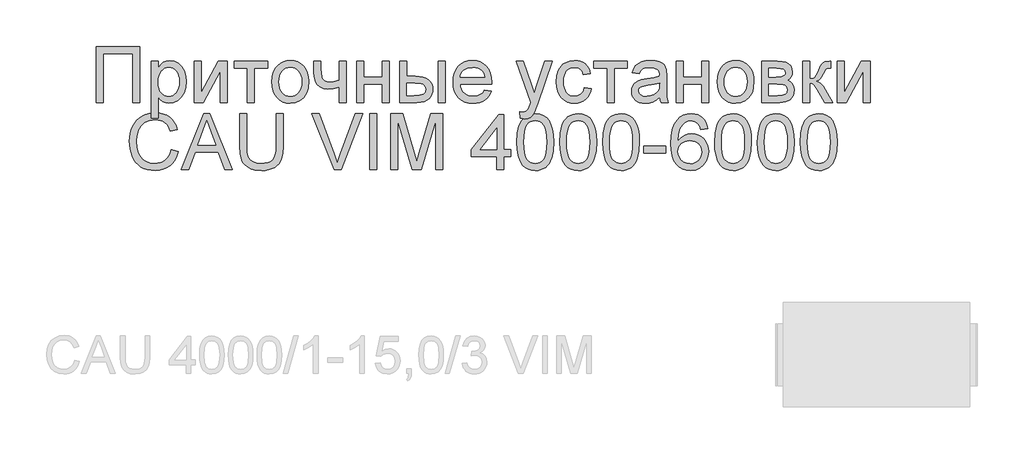
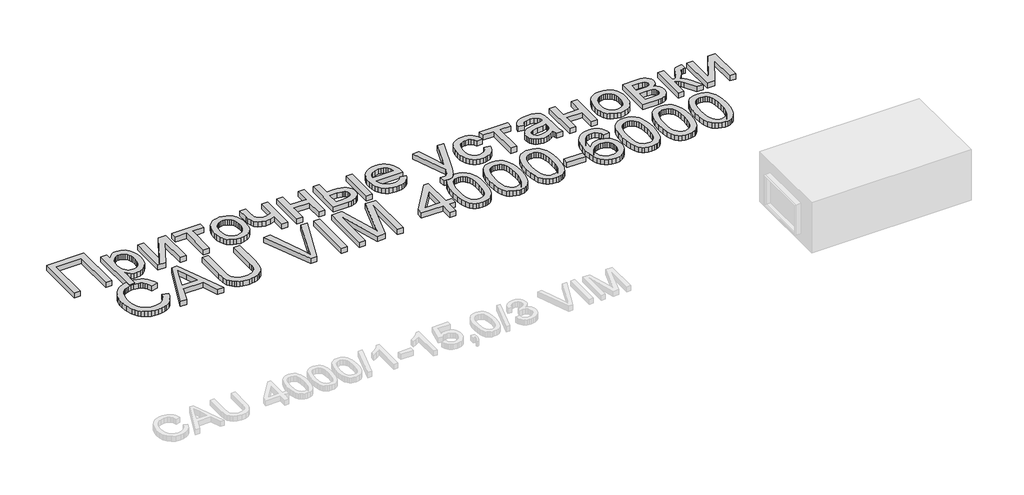
# One storey, part 69 of 74: 1 proxy.
"""IFC4 building model written with IfcOpenShell, lengths in millimetres."""

import ifcopenshell
import ifcopenshell.guid

model = None  # the IFC model being written
_history = None  # IfcOwnerHistory: only IFC2X3 demands one
_inside = {}  # id of a spatial element -> (the spatial element, [elements in it])
_under = {}  # id of a project, library or spatial element -> (it, [spatial elements below it])
_declared = {}  # id of a project -> (the project, [libraries it declares])
_typed = {}  # id of a type object -> (the type object, [elements of that type])
_made_of = {}  # id of a material, layer set ... -> (it, [elements and type objects made of it])


def new_model(schema):
    """Start an empty IFC model of exactly this schema.

    Asked for "IFC4X3", IfcOpenShell would pick the latest addendum, in which some entities
    have other attributes; the version numbers below select the first issue.
    IFC2X3 requires an IfcOwnerHistory on every rooted entity: one is made here for all.
    """
    global model, _history
    if schema == "IFC4X3":
        model = ifcopenshell.file(schema_version=(4, 3, 0, 0))
    else:
        model = ifcopenshell.file(schema=schema)
    _inside.clear()
    _under.clear()
    _declared.clear()
    _typed.clear()
    _made_of.clear()
    _history = None
    if model.schema == "IFC2X3":
        org = make("IfcOrganization", Name="unknown")
        user = make(
            "IfcPersonAndOrganization",
            ThePerson=make("IfcPerson", FamilyName="unknown"),
            TheOrganization=org,
        )
        app = make(
            "IfcApplication",
            ApplicationDeveloper=org,
            Version="unknown",
            ApplicationFullName="unknown",
            ApplicationIdentifier="unknown",
        )
        _history = make(
            "IfcOwnerHistory",
            OwningUser=user,
            OwningApplication=app,
            ChangeAction="ADDED",
            CreationDate=0,
        )
    return model


def make(cls, **values):
    """One entity of the class cls with the attributes given. An attribute that is None is left unset."""
    return model.create_entity(
        cls, **{name: value for name, value in values.items() if value is not None}
    )


def rooted(cls, **values):
    """An entity with a GlobalId (a new one), such as an element, a storey or a relation."""
    return make(cls, GlobalId=ifcopenshell.guid.new(), OwnerHistory=_history, **values)


def si_unit(unit_type, name, prefix=None):
    """IfcSIUnit, for example si_unit("LENGTHUNIT", "METRE", prefix="MILLI")."""
    return make("IfcSIUnit", UnitType=unit_type, Prefix=prefix, Name=name)


def assignment(units):
    """IfcUnitAssignment: the units of a project."""
    return None if units is None else make("IfcUnitAssignment", Units=units)


def point(xyz):
    """IfcCartesianPoint."""
    return None if xyz is None else make("IfcCartesianPoint", Coordinates=xyz)


def direction(xyz):
    """IfcDirection."""
    return None if xyz is None else make("IfcDirection", DirectionRatios=xyz)


def frame(location, z_axis=None, x_axis=None):
    """IfcAxis2Placement3D, a coordinate frame: its origin and axes. An axis left out is left unset."""
    return make(
        "IfcAxis2Placement3D",
        Location=point(location),
        Axis=direction(z_axis),
        RefDirection=direction(x_axis),
    )


def origin():
    """The frame at (0, 0, 0) with its axes left unset."""
    return frame((0.0, 0.0, 0.0))


def origin_with_axes():
    """The frame at (0, 0, 0) with the z axis (0, 0, 1) and the x axis (1, 0, 0) written out."""
    return frame((0.0, 0.0, 0.0), z_axis=(0.0, 0.0, 1.0), x_axis=(1.0, 0.0, 0.0))


def place(relative_to, where):
    """IfcLocalPlacement: puts the frame where relative to a parent placement (None: the world)."""
    return make(
        "IfcLocalPlacement", PlacementRelTo=relative_to, RelativePlacement=where
    )


def context(
    kind, dimensions, precision=None, world=None, true_north=None, identifier=None
):
    """IfcGeometricRepresentationContext, for example the 3D "Model" context."""
    return make(
        "IfcGeometricRepresentationContext",
        ContextIdentifier=identifier,
        ContextType=kind,
        CoordinateSpaceDimension=dimensions,
        Precision=precision,
        WorldCoordinateSystem=world,
        TrueNorth=true_north,
    )


def project(units=None, contexts=None):
    """IfcProject with its units and contexts."""
    return rooted(
        "IfcProject",
        Name="project",
        RepresentationContexts=contexts,
        UnitsInContext=assignment(units),
    )


def spatial(cls, under=None, at=None, **own):
    """A site, building, storey or space (cls), placed at a placement, below another one or the project."""
    s = rooted(cls, ObjectPlacement=at, **own)
    if under is not None:
        _under.setdefault(under.id(), (under, []))[1].append(s)
    return s


def polyline(points):
    """IfcPolyline through the points."""
    return make("IfcPolyline", Points=[point(p) for p in points])


def outline(outer, holes=None, kind="AREA"):
    """IfcArbitraryClosedProfileDef: a profile drawn as a closed curve; with holes, ...WithVoids."""
    if holes is None:
        return make("IfcArbitraryClosedProfileDef", ProfileType=kind, OuterCurve=outer)
    return make(
        "IfcArbitraryProfileDefWithVoids",
        ProfileType=kind,
        OuterCurve=outer,
        InnerCurves=holes,
    )


def extrude(swept, where, along, depth):
    """IfcExtrudedAreaSolid: the profile swept, set in the frame where, extruded along a direction by depth."""
    return make(
        "IfcExtrudedAreaSolid",
        SweptArea=swept,
        Position=where,
        ExtrudedDirection=direction(along),
        Depth=depth,
    )


def shape(context_of_items, identifier, shape_type, items):
    """IfcShapeRepresentation: the items that make up one representation, for example the "Body"."""
    return make(
        "IfcShapeRepresentation",
        ContextOfItems=context_of_items,
        RepresentationIdentifier=identifier,
        RepresentationType=shape_type,
        Items=items,
    )


def made_of(thing, what):
    """Note that an element or type object is made of a material, layer set ...; save() writes the relation."""
    if what is not None:
        _made_of.setdefault(what.id(), (what, []))[1].append(thing)
    return thing


def element(
    cls,
    number,
    at=None,
    inside=None,
    cuts=None,
    type_object=None,
    material=None,
    context=None,
    identifier="Body",
    shape_type=None,
    held_by="IfcProductDefinitionShape",
    body=None,
    shapes=None,
    **own,
):
    """One element of the class cls, such as IfcWall. Its Tag is "e" and its number.

    at: its placement. inside: the storey or other place that contains it. cuts: it is an
    opening in that element (IfcRelVoidsElement). A single representation is given by context,
    identifier, shape_type and body (its items); several are given by shapes. held_by: the class
    of the entity that holds the representations. save() writes the other relations.
    """
    e = rooted(cls, Tag="e%d" % number, ObjectPlacement=at, **own)
    if body is not None:
        shapes = [shape(context, identifier, shape_type, body)]
    if shapes is not None:
        e.Representation = make(held_by, Representations=shapes)
    if inside is not None:
        _inside.setdefault(inside.id(), (inside, []))[1].append(e)
    if cuts is not None:
        rooted(
            "IfcRelVoidsElement", RelatingBuildingElement=cuts, RelatedOpeningElement=e
        )
    if type_object is not None:
        _typed.setdefault(type_object.id(), (type_object, []))[1].append(e)
    return made_of(e, material)


def aggregate(whole, parts):
    """IfcRelAggregates: a whole, such as a stair, and the parts it consists of."""
    return rooted("IfcRelAggregates", RelatingObject=whole, RelatedObjects=parts)


def save(model, path):
    """Write the relations noted so far, then the file.

    IfcRelAggregates (storeys below a building ...), IfcRelContainedInSpatialStructure (elements
    in a storey), IfcRelDefinesByType, IfcRelAssociatesMaterial and IfcRelDeclares: one each for
    every whole, place, type object, material and project.
    """
    for whole, parts in _under.values():
        aggregate(whole, parts)
    for where, things in _inside.values():
        rooted(
            "IfcRelContainedInSpatialStructure",
            RelatedElements=things,
            RelatingStructure=where,
        )
    for kind, things in _typed.values():
        rooted("IfcRelDefinesByType", RelatedObjects=things, RelatingType=kind)
    for what, things in _made_of.values():
        rooted("IfcRelAssociatesMaterial", RelatedObjects=things, RelatingMaterial=what)
    for by, libraries in _declared.values():
        rooted("IfcRelDeclares", RelatingContext=by, RelatedDefinitions=libraries)
    model.write(path)


model = new_model("IFC4")

# Units and contexts
model_context = context("Model", 3, world=origin())
ifc_project = project(units=[si_unit("LENGTHUNIT", "METRE", prefix="MILLI")], contexts=[model_context])

# Site, building, storey
site = spatial("IfcSite", under=ifc_project)
building = spatial("IfcBuilding", under=site)
storey = spatial("IfcBuildingStorey", under=building, Elevation=0.0)

# Proxy
placement = place(None, origin())
element("IfcBuildingElementProxy", 1, Name="Generic Models", at=placement, inside=storey, context=model_context, shape_type="SweptSolid", body=[
    extrude(outline(polyline([(44711.9197938, -1277.4716513), (45063.2136554, -1277.4716513), (45063.2136554, -1727.1277941), (45007.0066376, -1727.1277941), (45007.0066376, -1333.6786691), (44768.1268117, -1333.6786691), (44768.1268117, -1727.1277941), (44711.9197938, -1727.1277941), (44711.9197938, -1277.4716513)])), origin_with_axes(), (0.0, 0.0, 1.0), 50.0),
    extrude(outline(polyline([(45154.5500594, -1853.5935843), (45154.5500594, -1396.9115642), (45210.7570773, -1396.9115642), (45210.7570773, -1452.0207887), (45229.0902257, -1424.8366817), (45249.6189607, -1405.4194624), (45273.550855, -1393.7691308), (45302.0934813, -1389.885687), (45340.1045749, -1395.3197639), (45373.3402676, -1411.6219947), (45400.4008729, -1437.8043653), (45419.8867043, -1472.8788618), (45431.6605376, -1514.2931147), (45435.5851487, -1559.4947545), (45431.1528082, -1607.5643794), (45417.8557866, -1650.5567102), (45396.1194789, -1686.2898827), (45366.36928, -1712.5820326), (45331.7201784, -1728.7607616), (45295.2871627, -1734.1536713), (45269.4478525, -1730.5446758), (45246.3804704, -1719.7176892), (45226.6339131, -1703.3742912), (45210.7570773, -1683.2160614), (45210.7570773, -1853.5935843), (45154.5500594, -1853.5935843)]), holes=[polyline([(45210.7570773, -1564.6543831), (45212.2768349, -1591.7424332), (45216.8361078, -1615.0430964), (45224.4348959, -1634.5563726), (45235.0731993, -1650.2822619), (45247.8796444, -1662.3854332), (45261.982858, -1671.0305556), (45277.3828398, -1676.217629), (45294.0795901, -1677.9466535), (45311.0164826, -1676.1558781), (45326.697774, -1670.7835521), (45341.1234643, -1661.8296753), (45354.2935535, -1649.2942479), (45365.2680561, -1632.9988783), (45373.1069865, -1612.7651752), (45377.8103448, -1588.5931386), (45379.3781308, -1560.4827685), (45377.8480814, -1533.6279995), (45373.2579331, -1510.3685036), (45365.6076859, -1490.7042808), (45354.8973399, -1474.6353311), (45342.0600193, -1462.1479321), (45328.0288484, -1453.2283614), (45312.8038273, -1447.876619), (45296.384956, -1446.0927048), (45280.0175438, -1447.9898289), (45264.6175619, -1453.6812011), (45250.1850104, -1463.1668215), (45236.7198892, -1476.4466901), (45225.361159, -1493.3424153), (45217.2477803, -1513.6756059), (45212.379753, -1537.4462619), (45210.7570773, -1564.6543831)])]), origin_with_axes(), (0.0, 0.0, 1.0), 50.0),
    extrude(outline(polyline([(45498.8180438, -1396.9115642), (45555.0250616, -1396.9115642), (45555.0250616, -1648.7453512), (45693.127461, -1396.9115642), (45765.8013786, -1396.9115642), (45765.8013786, -1727.1277941), (45709.5943607, -1727.1277941), (45709.5943607, -1476.8309177), (45572.370196, -1727.1277941), (45498.8180438, -1727.1277941), (45498.8180438, -1396.9115642)])), origin_with_axes(), (0.0, 0.0, 1.0), 50.0),
    extrude(outline(polyline([(45822.0083964, -1396.9115642), (46088.9917312, -1396.9115642), (46088.9917312, -1453.1185821), (45983.6035727, -1453.1185821), (45983.6035727, -1727.1277941), (45927.3965549, -1727.1277941), (45927.3965549, -1453.1185821), (45822.0083964, -1453.1185821), (45822.0083964, -1396.9115642)])), origin_with_axes(), (0.0, 0.0, 1.0), 50.0),
    extrude(outline(polyline([(46124.1211174, -1562.0196791), (46127.1606326, -1519.2537682), (46136.2791784, -1482.4022188), (46151.4767546, -1451.4650309), (46172.7533613, -1426.4422044), (46194.1740534, -1410.4487281), (46217.817777, -1399.0248163), (46243.6845321, -1392.1704693), (46271.7743186, -1389.885687), (46302.7835492, -1392.6679069), (46330.8218766, -1401.0145667), (46355.8893009, -1414.9256664), (46377.985822, -1434.401206), (46396.0205079, -1458.7825095), (46408.9024263, -1487.4109008), (46416.6315774, -1520.2863801), (46419.2079611, -1557.4089472), (46414.6521188, -1614.1923066), (46408.957316, -1637.4998309), (46400.984592, -1657.4179184), (46378.6033308, -1689.7890989), (46347.9062851, -1714.0091639), (46311.4458246, -1729.1175445), (46271.7743186, -1734.1536713), (46240.3122482, -1731.3817432), (46212.0131949, -1723.0659588), (46186.8771585, -1709.2063182), (46164.9041391, -1689.8028213), (46147.0615671, -1665.1848062), (46134.3168728, -1635.6816107), (46126.6700562, -1601.2932351), (46124.1211174, -1562.0196791)]), holes=[polyline([(46180.3281352, -1561.9098998), (46181.9542416, -1589.1729107), (46186.8325606, -1612.7788977), (46194.9630924, -1632.7278606), (46206.3458369, -1649.0197996), (46220.1917551, -1661.6752981), (46235.7118081, -1670.71494), (46252.9059959, -1676.1387251), (46271.7743186, -1677.9466535), (46290.5465843, -1676.1284333), (46307.6721601, -1670.6737727), (46323.1510458, -1661.5826718), (46336.9832416, -1648.8551306), (46348.3659861, -1632.4019532), (46356.4965178, -1612.1339441), (46361.3748369, -1588.0511032), (46363.0009433, -1560.1534305), (46361.3645451, -1533.7549318), (46356.4553506, -1510.7664536), (46348.2733598, -1491.1879959), (46336.8185726, -1475.0195587), (46322.9349178, -1462.3640602), (46307.4663238, -1453.3244183), (46290.4127907, -1447.9006332), (46271.7743186, -1446.0927048), (46252.9059959, -1447.893772), (46235.7118081, -1453.2969735), (46220.1917551, -1462.3023093), (46206.3458369, -1474.9097794), (46194.9630924, -1491.1536899), (46186.8325606, -1511.0683468), (46181.9542416, -1534.6537501), (46180.3281352, -1561.9098998)])]), origin_with_axes(), (0.0, 0.0, 1.0), 50.0),
    extrude(outline(polyline([(46461.3632245, -1396.9115642), (46517.5702423, -1396.9115642), (46517.5702423, -1460.2542386), (46522.1260846, -1519.6448571), (46529.8792499, -1536.907657), (46544.0270613, -1551.8102013), (46563.5677823, -1562.1020136), (46587.4996767, -1565.5326178), (46621.8880523, -1561.2786687), (46665.1136642, -1548.5168213), (46665.1136642, -1396.9115642), (46721.3206821, -1396.9115642), (46721.3206821, -1727.1277941), (46665.1136642, -1727.1277941), (46665.1136642, -1602.4184732), (46617.1400962, -1616.909345), (46572.4599082, -1621.7396356), (46538.4694826, -1616.7035088), (46508.7330061, -1601.5951282), (46485.5558447, -1579.1864221), (46471.2433643, -1552.2493186), (46463.8332595, -1521.5934402), (46461.3632245, -1488.0284096), (46461.3632245, -1396.9115642)])), origin_with_axes(), (0.0, 0.0, 1.0), 50.0),
    extrude(outline(polyline([(46805.6312088, -1396.9115642), (46861.8382267, -1396.9115642), (46861.8382267, -1523.3773544), (47009.3816486, -1523.3773544), (47009.3816486, -1396.9115642), (47065.5886664, -1396.9115642), (47065.5886664, -1727.1277941), (47009.3816486, -1727.1277941), (47009.3816486, -1579.5843722), (46861.8382267, -1579.5843722), (46861.8382267, -1727.1277941), (46805.6312088, -1727.1277941), (46805.6312088, -1396.9115642)])), origin_with_axes(), (0.0, 0.0, 1.0), 50.0),
    extrude(outline(polyline([(47149.8991932, -1396.9115642), (47206.106211, -1396.9115642), (47206.106211, -1516.3514771), (47275.596528, -1516.3514771), (47307.573189, -1518.1113771), (47335.6595449, -1523.3910768), (47359.8555957, -1532.1905763), (47380.1613415, -1544.5098757), (47396.2268606, -1559.92358), (47407.7022314, -1578.0062943), (47414.5874538, -1598.7580186), (47416.882528, -1622.1787529), (47414.9579591, -1643.0745626), (47409.1842523, -1662.3991556), (47399.5614078, -1680.1525319), (47386.0894254, -1696.3346915), (47368.3909388, -1709.8066739), (47346.0885814, -1719.4295184), (47319.1823533, -1725.2032252), (47287.6722545, -1727.1277941), (47149.8991932, -1727.1277941), (47149.8991932, -1396.9115642)]), holes=[polyline([(47206.106211, -1670.9207762), (47263.8501395, -1670.9207762), (47308.612662, -1667.9704567), (47338.3903058, -1659.1194981), (47355.104209, -1644.0111175), (47360.6755101, -1622.2885323), (47356.5450628, -1603.927939), (47344.1537207, -1587.7080428), (47333.3987768, -1581.0801156), (47317.6557345, -1576.3458819), (47271.2053548, -1572.558495), (47206.106211, -1572.558495), (47206.106211, -1670.9207762)])]), origin_with_axes(), (0.0, 0.0, 1.0), 50.0),
    extrude(outline(polyline([(47459.0377914, -1396.9115642), (47515.2448092, -1396.9115642), (47515.2448092, -1727.1277941), (47459.0377914, -1727.1277941), (47459.0377914, -1396.9115642)])), origin_with_axes(), (0.0, 0.0, 1.0), 50.0),
    extrude(outline(polyline([(47830.7506086, -1628.7655128), (47885.8598332, -1635.7913901), (47877.4102552, -1657.863897), (47866.0034966, -1677.3154223), (47851.6395571, -1694.1459661), (47834.3184369, -1708.3555284), (47814.2185274, -1719.6422159), (47791.51822, -1727.7041356), (47766.2175146, -1732.5412874), (47738.3164113, -1734.1536713), (47703.4408899, -1731.3714514), (47672.3664778, -1723.0247916), (47645.093175, -1709.1136919), (47621.6209817, -1689.6381523), (47602.7457978, -1665.1402083), (47589.2635236, -1636.1618953), (47581.1741591, -1602.7032134), (47578.4777043, -1564.7641624), (47581.201604, -1525.538635), (47589.373303, -1490.9650067), (47602.9928013, -1461.0432776), (47622.060099, -1435.7734476), (47645.4705415, -1415.6975524), (47672.1194743, -1401.3576271), (47702.0068973, -1392.753672), (47735.1328107, -1389.885687), (47767.1918062, -1392.7468108), (47796.1838416, -1401.3301823), (47822.1089169, -1415.6358015), (47844.9670321, -1435.6636683), (47863.6260879, -1460.8786086), (47876.9539849, -1490.745448), (47884.9507231, -1525.2641866), (47887.6163025, -1564.4348244), (47887.2869645, -1579.5843722), (47634.6847222, -1579.5843722), (47637.9403655, -1602.0136619), (47644.4139154, -1621.6573011), (47654.1053721, -1638.5152897), (47667.0147354, -1652.5876278), (47682.4284397, -1663.6822015), (47699.6329193, -1671.6068971), (47718.6281743, -1676.3617144), (47739.4142046, -1677.9466535), (47769.3290725, -1675.0100563), (47794.5234292, -1666.200265), (47814.9972745, -1650.9683827), (47830.7506086, -1628.7655128)]), holes=[polyline([(47634.6847222, -1523.3773544), (47831.4092846, -1523.3773544), (47823.8070659, -1493.6820451), (47808.9045216, -1472.4397444), (47793.5765824, -1460.9129146), (47776.1353911, -1452.6794647), (47756.5809476, -1447.7393948), (47734.913252, -1446.0927048), (47697.0256602, -1451.3483903), (47665.6973834, -1467.1154469), (47653.2408598, -1478.5153443), (47643.9199084, -1491.6922947), (47637.7345292, -1506.6462981), (47634.6847222, -1523.3773544)])]), origin_with_axes(), (0.0, 0.0, 1.0), 50.0),
    extrude(outline(polyline([(48119.4702511, -1853.5935843), (48112.4443739, -1799.4723737), (48140.9870002, -1804.4124436), (48155.9993238, -1802.8618106), (48167.6633778, -1798.2099114), (48184.0204982, -1780.9196666), (48199.3896046, -1739.5328586), (48203.7807779, -1725.9202214), (48084.340865, -1396.9115642), (48143.6217041, -1396.9115642), (48206.9643785, -1580.2430482), (48229.0300242, -1653.5756418), (48251.0956699, -1588.8058361), (48316.1948136, -1396.9115642), (48375.0365354, -1396.9115642), (48260.0975751, -1735.031906), (48230.2375969, -1808.3644996), (48214.9508249, -1831.7749421), (48197.6331353, -1847.9948383), (48177.5160728, -1857.4633057), (48153.831182, -1860.6194615), (48119.4702511, -1853.5935843)])), origin_with_axes(), (0.0, 0.0, 1.0), 50.0),
    extrude(outline(polyline([(48632.359289, -1607.6878812), (48688.5663069, -1614.7137584), (48682.4529703, -1641.2357588), (48672.8953073, -1664.7045216), (48659.8933177, -1685.1200467), (48643.4470015, -1702.4823341), (48624.2493409, -1716.3385441), (48602.9933178, -1726.235837), (48579.6789322, -1732.1742127), (48554.3061842, -1734.1536713), (48522.7823629, -1731.392035), (48494.5176156, -1723.1071261), (48469.5119422, -1709.2989445), (48447.7653427, -1689.9674903), (48430.162913, -1665.4764075), (48417.5897489, -1636.1893402), (48410.0458504, -1602.1062883), (48407.5312176, -1563.2272518), (48411.826334, -1513.2090438), (48424.711683, -1469.8599301), (48434.4271539, -1451.1048174), (48446.3931011, -1434.8540457), (48460.6095245, -1421.107615), (48477.0764243, -1409.8655254), (48513.7838883, -1394.8806466), (48553.5377288, -1389.885687), (48578.4747902, -1391.600989), (48601.0310122, -1396.7468952), (48621.206395, -1405.3234055), (48639.0009386, -1417.3305199), (48654.1127497, -1432.4937901), (48666.2399353, -1450.5387678), (48675.3824953, -1471.4654529), (48681.5404297, -1495.2738454), (48625.3334118, -1502.2997227), (48615.1376564, -1477.7777645), (48599.2608205, -1460.199349), (48578.5811389, -1449.6193659), (48553.9768462, -1446.0927048), (48534.878673, -1447.8285905), (48517.6536098, -1453.0362476), (48502.3016564, -1461.715676), (48488.8228128, -1473.8668758), (48477.8483102, -1489.7711564), (48470.0093798, -1509.7098276), (48465.3060216, -1533.6828891), (48463.7382355, -1561.6903412), (48465.2717155, -1590.1197575), (48469.8721556, -1614.370698), (48477.5395558, -1634.4431627), (48488.2739161, -1650.3371515), (48501.4851726, -1662.4163086), (48516.5832613, -1671.044278), (48533.5681823, -1676.2210596), (48552.4399355, -1677.9466535), (48581.5451809, -1673.6378147), (48605.4084631, -1660.7112984), (48622.7673199, -1638.8377665), (48632.359289, -1607.6878812)])), origin_with_axes(), (0.0, 0.0, 1.0), 50.0),
    extrude(outline(polyline([(48709.6439386, -1396.9115642), (48976.6272734, -1396.9115642), (48976.6272734, -1453.1185821), (48871.2391149, -1453.1185821), (48871.2391149, -1727.1277941), (48815.0320971, -1727.1277941), (48815.0320971, -1453.1185821), (48709.6439386, -1453.1185821), (48709.6439386, -1396.9115642)])), origin_with_axes(), (0.0, 0.0, 1.0), 50.0),
    extrude(outline(polyline([(49236.5847309, -1684.9725307), (49209.7299619, -1707.9987455), (49182.0792927, -1723.0659588), (49153.0014922, -1731.3817432), (49121.8653293, -1734.1536713), (49096.8390722, -1732.4863977), (49074.8934977, -1727.4845769), (49056.0286057, -1719.1482089), (49040.2443961, -1707.4772937), (49027.7810114, -1693.2128418), (49018.8785937, -1677.0958636), (49013.5371431, -1659.1263593), (49011.7566595, -1639.3043287), (49014.4462532, -1616.0036655), (49022.515034, -1594.8436993), (49034.9612658, -1576.7301096), (49050.783212, -1562.5685758), (49069.3770863, -1551.865091), (49090.1391024, -1544.1256481), (49138.7713464, -1535.6726395), (49196.2408265, -1526.7805137), (49236.2553929, -1516.3514771), (49236.5847309, -1503.8366333), (49232.7150095, -1478.752056), (49221.1058452, -1462.3400459), (49195.1430332, -1450.1545401), (49158.9707434, -1446.0927048), (49125.4880472, -1448.7960209), (49102.1050496, -1456.905969), (49086.1596016, -1471.9045702), (49074.9895546, -1495.2738454), (49018.7825368, -1488.2479682), (49028.5391749, -1457.5097553), (49043.0986587, -1433.3583023), (49063.8195076, -1414.8879298), (49092.0602407, -1401.1929581), (49126.599563, -1392.7125048), (49166.2161793, -1389.885687), (49204.2135505, -1392.3831668), (49234.3342546, -1399.8756062), (49257.0448539, -1411.1417101), (49272.8119104, -1424.9601835), (49283.2683918, -1442.044592), (49290.0472655, -1463.1085012), (49292.7917488, -1512.2896419), (49292.7917488, -1582.2190762), (49295.6460114, -1679.8677918), (49306.8435033, -1727.1277941), (49250.6364854, -1727.1277941), (49241.6345802, -1707.587073), (49236.5847309, -1684.9725307)]), holes=[polyline([(49236.5847309, -1572.558495), (49198.8206408, -1581.917183), (49145.9070029, -1589.7938501), (49097.5492073, -1598.9055346), (49084.9657514, -1605.1355117), (49075.6482306, -1613.7257444), (49069.8848157, -1624.0175567), (49067.9636774, -1635.3522728), (49072.1490144, -1652.066176), (49084.7050255, -1665.7611476), (49105.3572623, -1674.900277), (49133.8312764, -1677.9466535), (49164.0205927, -1674.5846614), (49190.6969703, -1664.4986853), (49212.3234986, -1649.6373083), (49227.3632671, -1631.9491135), (49234.0323615, -1613.7257444), (49236.2553929, -1588.4764981), (49236.5847309, -1572.558495)])]), origin_with_axes(), (0.0, 0.0, 1.0), 50.0),
    extrude(outline(polyline([(49370.0763983, -1396.9115642), (49426.2834162, -1396.9115642), (49426.2834162, -1523.3773544), (49573.8268381, -1523.3773544), (49573.8268381, -1396.9115642), (49630.0338559, -1396.9115642), (49630.0338559, -1727.1277941), (49573.8268381, -1727.1277941), (49573.8268381, -1579.5843722), (49426.2834162, -1579.5843722), (49426.2834162, -1727.1277941), (49370.0763983, -1727.1277941), (49370.0763983, -1396.9115642)])), origin_with_axes(), (0.0, 0.0, 1.0), 50.0),
    extrude(outline(polyline([(49700.2926282, -1562.0196791), (49703.3321435, -1519.2537682), (49712.4506892, -1482.4022188), (49727.6482655, -1451.4650309), (49748.9248722, -1426.4422044), (49770.3455643, -1410.4487281), (49793.9892879, -1399.0248163), (49819.8560429, -1392.1704693), (49847.9458294, -1389.885687), (49878.95506, -1392.6679069), (49906.9933875, -1401.0145667), (49932.0608118, -1414.9256664), (49954.1573329, -1434.401206), (49972.1920187, -1458.7825095), (49985.0739372, -1487.4109008), (49992.8030883, -1520.2863801), (49995.3794719, -1557.4089472), (49990.8236297, -1614.1923066), (49985.1288268, -1637.4998309), (49977.1561029, -1657.4179184), (49954.7748416, -1689.7890989), (49924.077796, -1714.0091639), (49887.6173354, -1729.1175445), (49847.9458294, -1734.1536713), (49816.4837591, -1731.3817432), (49788.1847057, -1723.0659588), (49763.0486693, -1709.2063182), (49741.07565, -1689.8028213), (49723.233078, -1665.1848062), (49710.4883837, -1635.6816107), (49702.8415671, -1601.2932351), (49700.2926282, -1562.0196791)]), holes=[polyline([(49756.4996461, -1561.9098998), (49758.1257524, -1589.1729107), (49763.0040715, -1612.7788977), (49771.1346032, -1632.7278606), (49782.5173477, -1649.0197996), (49796.3632659, -1661.6752981), (49811.8833189, -1670.71494), (49829.0775068, -1676.1387251), (49847.9458294, -1677.9466535), (49866.7180951, -1676.1284333), (49883.8436709, -1670.6737727), (49899.3225567, -1661.5826718), (49913.1547525, -1648.8551306), (49924.5374969, -1632.4019532), (49932.6680287, -1612.1339441), (49937.5463477, -1588.0511032), (49939.1724541, -1560.1534305), (49937.5360559, -1533.7549318), (49932.6268614, -1510.7664536), (49924.4448706, -1491.1879959), (49912.9900835, -1475.0195587), (49899.1064286, -1462.3640602), (49883.6378346, -1453.3244183), (49866.5843016, -1447.9006332), (49847.9458294, -1446.0927048), (49829.0775068, -1447.893772), (49811.8833189, -1453.2969735), (49796.3632659, -1462.3023093), (49782.5173477, -1474.9097794), (49771.1346032, -1491.1536899), (49763.0040715, -1511.0683468), (49758.1257524, -1534.6537501), (49756.4996461, -1561.9098998)])]), origin_with_axes(), (0.0, 0.0, 1.0), 50.0),
    extrude(outline(polyline([(50058.612367, -1396.9115642), (50182.4434532, -1396.9115642), (50222.2521834, -1398.7915353), (50250.3419699, -1404.4314484), (50271.0079291, -1415.0800436), (50288.5451774, -1431.9860607), (50300.5248469, -1454.0105391), (50304.5180701, -1480.0145183), (50302.1029248, -1500.9686483), (50294.8574889, -1519.0410708), (50282.7543176, -1534.3141203), (50265.765966, -1546.8701314), (50286.5691494, -1558.5479078), (50303.5300561, -1577.3338959), (50314.8098825, -1601.7460748), (50318.5698246, -1630.3024235), (50315.4479749, -1653.3080547), (50309.0464676, -1673.1438077), (50299.3653028, -1689.8096825), (50286.4044804, -1703.3056791), (50270.1434169, -1713.7278544), (50250.5615286, -1721.1722653), (50227.6588155, -1725.6389119), (50201.4352776, -1727.1277941), (50058.612367, -1727.1277941), (50058.612367, -1396.9115642)]), holes=[polyline([(50114.8193849, -1523.3773544), (50170.3677267, -1523.3773544), (50216.2005977, -1520.5230917), (50238.4858021, -1509.1060412), (50245.8547397, -1499.6650187), (50248.3110523, -1488.4675269), (50244.0022135, -1471.698734), (50231.0756972, -1460.9129146), (50207.7201444, -1455.0671652), (50172.1241961, -1453.1185821), (50114.8193849, -1453.1185821), (50114.8193849, -1523.3773544)]), polyline([(50114.8193849, -1670.9207762), (50183.7608052, -1670.9207762), (50221.3327815, -1668.3821292), (50244.907893, -1660.766188), (50257.559961, -1646.9202698), (50262.3628067, -1625.6916916), (50259.9613839, -1611.6262147), (50252.7571152, -1598.6310863), (50241.6968475, -1588.4627757), (50227.7274276, -1582.8777522), (50178.2718386, -1579.5843722), (50114.8193849, -1579.5843722), (50114.8193849, -1670.9207762)])]), origin_with_axes(), (0.0, 0.0, 1.0), 50.0),
    extrude(outline(polyline([(50388.8285969, -1396.9115642), (50445.0356148, -1396.9115642), (50445.0356148, -1537.4291088), (50467.8971606, -1534.9041842), (50482.6899256, -1527.3294103), (50495.7811109, -1507.5691306), (50513.5379178, -1468.4876885), (50527.8503981, -1436.5281805), (50539.1713917, -1417.7147476), (50549.7376524, -1407.4641025), (50561.7859341, -1401.1929581), (50602.8982938, -1396.9115642), (50613.6566683, -1396.9115642), (50613.6566683, -1453.4479201), (50598.5071205, -1453.1185821), (50580.9424275, -1454.600603), (50571.0622876, -1459.046666), (50551.7411252, -1496.0423008), (50539.871235, -1520.7014832), (50529.0716932, -1536.0568672), (50515.9942303, -1546.3075123), (50497.2905767, -1555.6524779), (50515.1022732, -1563.563451), (50532.7493008, -1577.5260098), (50550.2316594, -1597.5401542), (50567.549349, -1623.6058843), (50627.7084228, -1727.1277941), (50563.8168517, -1727.1277941), (50504.8653506, -1625.8014709), (50488.9473475, -1598.8369225), (50475.224931, -1582.9326418), (50461.3652904, -1575.1520317), (50445.0356148, -1572.558495), (50445.0356148, -1727.1277941), (50388.8285969, -1727.1277941), (50388.8285969, -1396.9115642)])), origin_with_axes(), (0.0, 0.0, 1.0), 50.0),
    extrude(outline(polyline([(50662.8378089, -1396.9115642), (50719.0448268, -1396.9115642), (50719.0448268, -1648.7453512), (50857.1472261, -1396.9115642), (50929.8211437, -1396.9115642), (50929.8211437, -1727.1277941), (50873.6141259, -1727.1277941), (50873.6141259, -1476.8309177), (50736.3899612, -1727.1277941), (50662.8378089, -1727.1277941), (50662.8378089, -1396.9115642)])), origin_with_axes(), (0.0, 0.0, 1.0), 50.0),
    extrude(outline(polyline([(45316.1452358, -2107.7211702), (45372.3522536, -2122.212042), (45361.2302351, -2157.1664674), (45346.4168865, -2187.7091358), (45327.9122079, -2213.8400474), (45305.7161992, -2235.5592021), (45280.3297288, -2252.6333188), (45252.2536647, -2264.8291164), (45221.488007, -2272.146595), (45188.0327556, -2274.5857545), (45153.7575899, -2272.7400895), (45122.837555, -2267.2030944), (45095.2726509, -2257.9747694), (45071.0628776, -2245.0551143), (45049.8754666, -2228.636243), (45031.3776492, -2208.9102693), (45015.5694254, -2185.8771932), (45002.4507953, -2159.5370148), (44984.7900453, -2101.4911932), (44978.9031286, -2039.3286466), (44980.5669716, -2005.4274167), (44985.5585006, -1973.7629407), (44993.8777156, -1944.3352186), (45005.5246166, -1917.1442503), (45020.2384776, -1892.6394451), (45037.7585729, -1871.2702121), (45058.0849023, -1853.0365512), (45081.2174658, -1837.9384625), (45106.3706552, -1826.0994477), (45132.7588621, -1817.6430085), (45160.3820864, -1812.569145), (45189.2403283, -1810.8778572), (45221.3885194, -1813.0665826), (45250.8677006, -1819.6327589), (45277.6778718, -1830.5763861), (45301.819033, -1845.897464), (45322.8932341, -1865.1911816), (45340.502525, -1888.0527274), (45354.6469058, -1914.4821015), (45365.3263764, -1944.4793039), (45309.1193585, -1957.8723824), (45289.6335271, -1916.8835244), (45277.2147402, -1901.2159554), (45263.0120392, -1888.7662931), (45246.9430895, -1879.2806727), (45228.9255567, -1872.5052296), (45187.0447416, -1867.0848751), (45161.8298014, -1868.5874797), (45138.7692805, -1873.0952935), (45117.863179, -1880.6083165), (45099.1114969, -1891.1265487), (45082.7509459, -1904.1765668), (45069.0182376, -1919.2849473), (45057.9133721, -1936.4516903), (45049.4363493, -1955.6767958), (45038.6916972, -1996.8166004), (45035.1101465, -2039.2188672), (45039.3503732, -2091.1444912), (45052.0710532, -2136.0442378), (45061.7316344, -2155.4305817), (45073.7524713, -2172.2028052), (45088.1335637, -2186.3609084), (45104.8749118, -2197.9048913), (45142.1861622, -2213.2602753), (45182.4340097, -2218.3787366), (45206.8702028, -2216.6359898), (45229.3509516, -2211.4077491), (45249.876256, -2202.6940146), (45268.4461161, -2190.4947864), (45284.6214145, -2174.864954), (45297.9630339, -2155.8594072), (45308.4709743, -2133.478146), (45316.1452358, -2107.7211702)])), origin_with_axes(), (0.0, 0.0, 1.0), 50.0),
    extrude(outline(polyline([(45397.2721619, -2267.5598773), (45576.7613693, -1817.9037344), (45624.625158, -1817.9037344), (45804.1143653, -2267.5598773), (45744.7237469, -2267.5598773), (45693.2372403, -2127.0423326), (45508.0395076, -2127.0423326), (45456.6627804, -2267.5598773), (45397.2721619, -2267.5598773)]), holes=[polyline([(45528.678022, -2070.8353148), (45672.7085053, -2070.8353148), (45632.1999318, -1960.2875277), (45600.6932636, -1874.1107523), (45572.699534, -1950.6269465), (45528.678022, -2070.8353148)])]), origin_with_axes(), (0.0, 0.0, 1.0), 50.0),
    extrude(outline(polyline([(46159.2505035, -1817.9037344), (46215.4575214, -1817.9037344), (46215.4575214, -2077.3122954), (46211.6426896, -2138.0614331), (46200.1981943, -2184.8411508), (46191.0384813, -2203.8123916), (46178.8186694, -2220.9311061), (46163.5387587, -2236.1972944), (46145.1987491, -2249.6109565), (46123.778057, -2260.5374306), (46099.2560987, -2268.342055), (46071.6328744, -2273.0248296), (46040.9083839, -2274.5857545), (45983.8368538, -2269.1516776), (45959.5927745, -2262.3590814), (45938.2098191, -2252.8494468), (45919.6845568, -2240.7634285), (45904.0135572, -2226.2416813), (45891.1968203, -2209.2842051), (45881.2343459, -2189.8910001), (45868.4313313, -2141.1352543), (45864.1636598, -2077.3122954), (45864.1636598, -1817.9037344), (45920.3706777, -1817.9037344), (45920.3706777, -2075.3362674), (45923.1426058, -2125.8484824), (45931.4583902, -2161.0190358), (45946.5256035, -2185.376325), (45969.5518183, -2203.4487475), (45999.5764655, -2214.6462394), (46035.638976, -2218.3787366), (46066.6173312, -2216.5330716), (46092.806563, -2210.9960766), (46114.2066715, -2201.7677515), (46130.8176566, -2188.8480964), (46143.2570271, -2170.679617), (46152.1422918, -2145.704819), (46157.4734506, -2113.9237025), (46159.2505035, -2075.3362674), (46159.2505035, -1817.9037344)])), origin_with_axes(), (0.0, 0.0, 1.0), 50.0),
    extrude(outline(polyline([(46622.2997248, -2267.5598773), (46443.3594141, -1817.9037344), (46503.5184879, -1817.9037344), (46623.2877388, -2141.8625424), (46647.5489711, -2214.865798), (46671.4808654, -2141.8625424), (46791.5794544, -1817.9037344), (46851.7385282, -1817.9037344), (46680.3729913, -2267.5598773), (46622.2997248, -2267.5598773)])), origin_with_axes(), (0.0, 0.0, 1.0), 50.0),
    extrude(outline(polyline([(46911.0193673, -2267.5598773), (46911.0193673, -1817.9037344), (46967.2263852, -1817.9037344), (46967.2263852, -2267.5598773), (46911.0193673, -2267.5598773)])), origin_with_axes(), (0.0, 0.0, 1.0), 50.0),
    extrude(outline(polyline([(47079.6404209, -2267.5598773), (47079.6404209, -1817.9037344), (47176.3560121, -1817.9037344), (47268.3510921, -2134.8366652), (47286.9037992, -2201.0336022), (47306.9934169, -2129.3476986), (47397.4515863, -1817.9037344), (47494.1671775, -1817.9037344), (47494.1671775, -2267.5598773), (47437.9601597, -2267.5598773), (47437.9601597, -1874.1107523), (47324.9972273, -2267.5598773), (47248.8103711, -2267.5598773), (47135.8474387, -1874.1107523), (47135.8474387, -2267.5598773), (47079.6404209, -2267.5598773)])), origin_with_axes(), (0.0, 0.0, 1.0), 50.0),
    extrude(outline(polyline([(47929.7715659, -2267.5598773), (47929.7715659, -2162.1717188), (47726.0211262, -2162.1717188), (47726.0211262, -2105.9647009), (47943.8233203, -1824.9296117), (47985.9785837, -1824.9296117), (47985.9785837, -2105.9647009), (48042.1856016, -2105.9647009), (48042.1856016, -2162.1717188), (47985.9785837, -2162.1717188), (47985.9785837, -2267.5598773), (47929.7715659, -2267.5598773)]), holes=[polyline([(47929.7715659, -2105.9647009), (47929.7715659, -1932.2937981), (47795.1821052, -2105.9647009), (47929.7715659, -2105.9647009)])]), origin_with_axes(), (0.0, 0.0, 1.0), 50.0),
    extrude(outline(polyline([(48091.3667422, -2046.3545238), (48095.4971896, -1974.3804494), (48107.8885316, -1916.9795813), (48117.1511627, -1893.524541), (48128.4172667, -1873.2736849), (48141.6868434, -1856.227013), (48156.9598929, -1842.3845254), (48174.2878743, -1831.6741794), (48193.7222466, -1824.0239322), (48215.2630099, -1819.4337839), (48238.9101641, -1817.9037344), (48273.5455432, -1821.5264524), (48304.5582044, -1832.3946062), (48330.4935716, -1850.0828011), (48349.8970685, -1874.165642), (48364.5526092, -1904.4372927), (48376.2441081, -1940.691917), (48383.9012165, -1986.7306243), (48386.4535859, -2046.3545238), (48382.3643058, -2117.9169257), (48370.0964655, -2175.1805696), (48360.9058771, -2198.6459018), (48349.6912322, -2218.9276333), (48336.4525309, -2236.0257642), (48321.1897732, -2249.9402945), (48303.8412082, -2260.7226833), (48284.345085, -2268.4243895), (48262.7014036, -2273.0454132), (48238.9101641, -2274.5857545), (48207.9523925, -2271.9098833), (48180.5075596, -2263.8822697), (48156.5756653, -2250.5029136), (48136.1567096, -2231.7718151), (48116.5610988, -2197.9117525), (48102.564234, -2155.7221831), (48094.1661152, -2105.2031068), (48091.3667422, -2046.3545238)]), holes=[polyline([(48147.5737601, -2046.2447445), (48149.22045, -2095.1068389), (48154.16052, -2134.6582738), (48162.3939698, -2164.8990491), (48173.9207997, -2185.8291648), (48187.8627748, -2200.0696025), (48203.3416606, -2210.2413437), (48220.357457, -2216.3443884), (48238.9101641, -2218.3787366), (48257.4628711, -2216.3375272), (48274.4786676, -2210.2138988), (48289.9575533, -2200.0078516), (48303.8995285, -2185.7193855), (48315.4263583, -2164.7549637), (48323.6598082, -2134.5210496), (48328.5998781, -2095.0176432), (48330.2465681, -2046.2447445), (48328.6547678, -1998.6759878), (48323.8793668, -1959.8209656), (48315.9203653, -1929.6796778), (48304.7777631, -1908.2521245), (48291.0690691, -1893.3152741), (48275.4117919, -1882.6460953), (48257.8059315, -1876.2445881), (48238.2514881, -1874.1107523), (48219.7948379, -1875.9907234), (48203.0672123, -1881.6306365), (48188.0686111, -1891.0304918), (48174.7990343, -1904.1902892), (48162.8879768, -1927.5183972), (48154.3800786, -1958.9701757), (48149.2753397, -1998.5456248), (48147.5737601, -2046.2447445)])]), origin_with_axes(), (0.0, 0.0, 1.0), 50.0),
    extrude(outline(polyline([(48435.6347265, -2046.3545238), (48439.7651739, -1974.3804494), (48452.156516, -1916.9795813), (48461.4191471, -1893.524541), (48472.685251, -1873.2736849), (48485.9548277, -1856.227013), (48501.2278773, -1842.3845254), (48518.5558587, -1831.6741794), (48537.990231, -1824.0239322), (48559.5309942, -1819.4337839), (48583.1781484, -1817.9037344), (48617.8135276, -1821.5264524), (48648.8261888, -1832.3946062), (48674.7615559, -1850.0828011), (48694.1650528, -1874.165642), (48708.8205936, -1904.4372927), (48720.5120924, -1940.691917), (48728.1692008, -1986.7306243), (48730.7215703, -2046.3545238), (48726.6322902, -2117.9169257), (48714.3644498, -2175.1805696), (48705.1738614, -2198.6459018), (48693.9592166, -2218.9276333), (48680.7205153, -2236.0257642), (48665.4577576, -2249.9402945), (48648.1091925, -2260.7226833), (48628.6130693, -2268.4243895), (48606.969388, -2273.0454132), (48583.1781484, -2274.5857545), (48552.2203769, -2271.9098833), (48524.7755439, -2263.8822697), (48500.8436496, -2250.5029136), (48480.4246939, -2231.7718151), (48460.8290832, -2197.9117525), (48446.8322184, -2155.7221831), (48438.4340995, -2105.2031068), (48435.6347265, -2046.3545238)]), holes=[polyline([(48491.8417444, -2046.2447445), (48493.4884344, -2095.1068389), (48498.4285043, -2134.6582738), (48506.6619542, -2164.8990491), (48518.188784, -2185.8291648), (48532.1307592, -2200.0696025), (48547.6096449, -2210.2413437), (48564.6254413, -2216.3443884), (48583.1781484, -2218.3787366), (48601.7308555, -2216.3375272), (48618.7466519, -2210.2138988), (48634.2255377, -2200.0078516), (48648.1675128, -2185.7193855), (48659.6943426, -2164.7549637), (48667.9277925, -2134.5210496), (48672.8678624, -2095.0176432), (48674.5145524, -2046.2447445), (48672.9227521, -1998.6759878), (48668.1473512, -1959.8209656), (48660.1883496, -1929.6796778), (48649.0457475, -1908.2521245), (48635.3370534, -1893.3152741), (48619.6797762, -1882.6460953), (48602.0739159, -1876.2445881), (48582.5194724, -1874.1107523), (48564.0628223, -1875.9907234), (48547.3351966, -1881.6306365), (48532.3365954, -1891.0304918), (48519.0670187, -1904.1902892), (48507.1559612, -1927.5183972), (48498.648063, -1958.9701757), (48493.543324, -1998.5456248), (48491.8417444, -2046.2447445)])]), origin_with_axes(), (0.0, 0.0, 1.0), 50.0),
    extrude(outline(polyline([(48779.9027109, -2046.3545238), (48784.0331583, -1974.3804494), (48796.4245003, -1916.9795813), (48805.6871314, -1893.524541), (48816.9532354, -1873.2736849), (48830.2228121, -1856.227013), (48845.4958616, -1842.3845254), (48862.823843, -1831.6741794), (48882.2582153, -1824.0239322), (48903.7989786, -1819.4337839), (48927.4461328, -1817.9037344), (48962.0815119, -1821.5264524), (48993.0941731, -1832.3946062), (49019.0295403, -1850.0828011), (49038.4330371, -1874.165642), (49053.0885779, -1904.4372927), (49064.7800768, -1940.691917), (49072.4371852, -1986.7306243), (49074.9895546, -2046.3545238), (49070.9002745, -2117.9169257), (49058.6324342, -2175.1805696), (49049.4418458, -2198.6459018), (49038.2272009, -2218.9276333), (49024.9884996, -2236.0257642), (49009.7257419, -2249.9402945), (48992.3771769, -2260.7226833), (48972.8810537, -2268.4243895), (48951.2373723, -2273.0454132), (48927.4461328, -2274.5857545), (48896.4883612, -2271.9098833), (48869.0435283, -2263.8822697), (48845.1116339, -2250.5029136), (48824.6926782, -2231.7718151), (48805.0970675, -2197.9117525), (48791.1002027, -2155.7221831), (48782.7020839, -2105.2031068), (48779.9027109, -2046.3545238)]), holes=[polyline([(48836.1097287, -2046.2447445), (48837.7564187, -2095.1068389), (48842.6964887, -2134.6582738), (48850.9299385, -2164.8990491), (48862.4567684, -2185.8291648), (48876.3987435, -2200.0696025), (48891.8776293, -2210.2413437), (48908.8934257, -2216.3443884), (48927.4461328, -2218.3787366), (48945.9988398, -2216.3375272), (48963.0146362, -2210.2138988), (48978.493522, -2200.0078516), (48992.4354971, -2185.7193855), (49003.962327, -2164.7549637), (49012.1957769, -2134.5210496), (49017.1358468, -2095.0176432), (49018.7825368, -2046.2447445), (49017.1907365, -1998.6759878), (49012.4153355, -1959.8209656), (49004.456334, -1929.6796778), (48993.3137318, -1908.2521245), (48979.6050378, -1893.3152741), (48963.9477606, -1882.6460953), (48946.3419002, -1876.2445881), (48926.7874568, -1874.1107523), (48908.3308066, -1875.9907234), (48891.6031809, -1881.6306365), (48876.6045797, -1891.0304918), (48863.335003, -1904.1902892), (48851.4239455, -1927.5183972), (48842.9160473, -1958.9701757), (48837.8113084, -1998.5456248), (48836.1097287, -2046.2447445)])]), origin_with_axes(), (0.0, 0.0, 1.0), 50.0),
    extrude(outline(polyline([(49110.1189408, -2134.0682099), (49110.1189408, -2077.861192), (49285.7658716, -2077.861192), (49285.7658716, -2134.0682099), (49110.1189408, -2134.0682099)])), origin_with_axes(), (0.0, 0.0, 1.0), 50.0),
    extrude(outline(polyline([(49623.0079787, -1937.3436474), (49566.8009608, -1944.3695246), (49557.744166, -1916.5130192), (49545.5037705, -1897.49375), (49520.0075207, -1879.9565017), (49489.1869733, -1874.1107523), (49463.0594923, -1877.5139116), (49438.468922, -1887.7233894), (49417.3501231, -1909.226416), (49400.1010456, -1938.8256684), (49388.450714, -1980.692761), (49384.1281528, -2038.9993086), (49406.6740831, -2012.6934362), (49433.6935211, -1994.1544516), (49463.6770011, -1983.162796), (49495.1150572, -1979.4989108), (49522.1207728, -1982.0032518), (49547.0406811, -1989.5162748), (49569.8747821, -2002.0379798), (49590.6230758, -2019.5683669), (49607.8652921, -2041.0645323), (49620.1811609, -2065.4835724), (49627.5706822, -2092.8254872), (49630.0338559, -2123.0902767), (49625.3956791, -2163.3381242), (49611.4811488, -2200.6493746), (49589.442948, -2232.2932669), (49560.4337596, -2255.5390404), (49525.7709356, -2269.824076), (49486.771828, -2274.5857545), (49453.2651176, -2271.4295987), (49423.0037587, -2261.9611313), (49395.9877512, -2246.1803524), (49372.2170953, -2224.0872619), (49352.8376127, -2194.7487355), (49338.995125, -2157.2316489), (49330.6896325, -2111.536002), (49327.921135, -2057.661795), (49330.9949562, -1997.2625789), (49340.2164201, -1945.7143214), (49355.5855266, -1903.0170226), (49377.1022756, -1869.1706824), (49400.4235224, -1846.7413927), (49427.463544, -1830.7204714), (49458.2223405, -1821.1079187), (49492.6999119, -1817.9037344), (49518.5872506, -1819.8866236), (49542.0182767, -1825.8352912), (49562.9929903, -1835.7497371), (49581.5113913, -1849.6299613), (49597.0726116, -1867.0094018), (49609.1757829, -1887.4214963), (49617.8209053, -1910.8662448), (49623.0079787, -1937.3436474)]), holes=[polyline([(49384.1281528, -2122.212042), (49387.3803655, -2147.1182279), (49397.1370036, -2170.8991757), (49412.2865514, -2191.3455762), (49431.7174931, -2206.2481205), (49455.1691029, -2215.3460826), (49482.3806547, -2218.3787366), (49501.9179452, -2216.80752), (49519.4723464, -2212.0938699), (49535.0438585, -2204.2377865), (49548.6324814, -2193.2392697), (49559.6550124, -2179.544298), (49567.5282489, -2163.5988501), (49572.2521908, -2145.4029259), (49573.8268381, -2124.9565253), (49572.2727744, -2105.3094556), (49567.6105834, -2087.8648336), (49559.8402651, -2072.6226595), (49548.9618194, -2059.5829333), (49535.3320293, -2049.1367437), (49519.3076774, -2041.6751798), (49500.8887639, -2037.1982414), (49480.0752887, -2035.7059286), (49460.7987242, -2037.1982414), (49443.0384867, -2041.6751798), (49426.7945762, -2049.1367437), (49412.0669927, -2059.5829333), (49399.8437503, -2072.4511293), (49391.1128628, -2087.1787128), (49385.8743303, -2103.7656837), (49384.1281528, -2122.212042)])]), origin_with_axes(), (0.0, 0.0, 1.0), 50.0),
    extrude(outline(polyline([(49679.2149965, -2046.3545238), (49683.3454439, -1974.3804494), (49695.736786, -1916.9795813), (49704.9994171, -1893.524541), (49716.265521, -1873.2736849), (49729.5350977, -1856.227013), (49744.8081472, -1842.3845254), (49762.1361286, -1831.6741794), (49781.570501, -1824.0239322), (49803.1112642, -1819.4337839), (49826.7584184, -1817.9037344), (49861.3937976, -1821.5264524), (49892.4064588, -1832.3946062), (49918.3418259, -1850.0828011), (49937.7453228, -1874.165642), (49952.4008636, -1904.4372927), (49964.0923624, -1940.691917), (49971.7494708, -1986.7306243), (49974.3018403, -2046.3545238), (49970.2125601, -2117.9169257), (49957.9447198, -2175.1805696), (49948.7541314, -2198.6459018), (49937.5394865, -2218.9276333), (49924.3007852, -2236.0257642), (49909.0380275, -2249.9402945), (49891.6894625, -2260.7226833), (49872.1933393, -2268.4243895), (49850.5496579, -2273.0454132), (49826.7584184, -2274.5857545), (49795.8006468, -2271.9098833), (49768.3558139, -2263.8822697), (49744.4239196, -2250.5029136), (49724.0049639, -2231.7718151), (49704.4093532, -2197.9117525), (49690.4124884, -2155.7221831), (49682.0143695, -2105.2031068), (49679.2149965, -2046.3545238)]), holes=[polyline([(49735.4220144, -2046.2447445), (49737.0687044, -2095.1068389), (49742.0087743, -2134.6582738), (49750.2422242, -2164.8990491), (49761.769054, -2185.8291648), (49775.7110291, -2200.0696025), (49791.1899149, -2210.2413437), (49808.2057113, -2216.3443884), (49826.7584184, -2218.3787366), (49845.3111255, -2216.3375272), (49862.3269219, -2210.2138988), (49877.8058077, -2200.0078516), (49891.7477828, -2185.7193855), (49903.2746126, -2164.7549637), (49911.5080625, -2134.5210496), (49916.4481324, -2095.0176432), (49918.0948224, -2046.2447445), (49916.5030221, -1998.6759878), (49911.7276212, -1959.8209656), (49903.7686196, -1929.6796778), (49892.6260174, -1908.2521245), (49878.9173234, -1893.3152741), (49863.2600462, -1882.6460953), (49845.6541859, -1876.2445881), (49826.0997424, -1874.1107523), (49807.6430923, -1875.9907234), (49790.9154666, -1881.6306365), (49775.9168654, -1891.0304918), (49762.6472887, -1904.1902892), (49750.7362312, -1927.5183972), (49742.2283329, -1958.9701757), (49737.123594, -1998.5456248), (49735.4220144, -2046.2447445)])]), origin_with_axes(), (0.0, 0.0, 1.0), 50.0),
    extrude(outline(polyline([(50023.4829809, -2046.3545238), (50027.6134282, -1974.3804494), (50040.0047703, -1916.9795813), (50049.2674014, -1893.524541), (50060.5335053, -1873.2736849), (50073.8030821, -1856.227013), (50089.0761316, -1842.3845254), (50106.404113, -1831.6741794), (50125.8384853, -1824.0239322), (50147.3792486, -1819.4337839), (50171.0264027, -1817.9037344), (50205.6617819, -1821.5264524), (50236.6744431, -1832.3946062), (50262.6098102, -1850.0828011), (50282.0133071, -1874.165642), (50296.6688479, -1904.4372927), (50308.3603467, -1940.691917), (50316.0174551, -1986.7306243), (50318.5698246, -2046.3545238), (50314.4805445, -2117.9169257), (50302.2127042, -2175.1805696), (50293.0221157, -2198.6459018), (50281.8074709, -2218.9276333), (50268.5687696, -2236.0257642), (50253.3060119, -2249.9402945), (50235.9574469, -2260.7226833), (50216.4613237, -2268.4243895), (50194.8176423, -2273.0454132), (50171.0264027, -2274.5857545), (50140.0686312, -2271.9098833), (50112.6237982, -2263.8822697), (50088.6919039, -2250.5029136), (50068.2729482, -2231.7718151), (50048.6773375, -2197.9117525), (50034.6804727, -2155.7221831), (50026.2823538, -2105.2031068), (50023.4829809, -2046.3545238)]), holes=[polyline([(50079.6899987, -2046.2447445), (50081.3366887, -2095.1068389), (50086.2767586, -2134.6582738), (50094.5102085, -2164.8990491), (50106.0370383, -2185.8291648), (50119.9790135, -2200.0696025), (50135.4578993, -2210.2413437), (50152.4736957, -2216.3443884), (50171.0264027, -2218.3787366), (50189.5791098, -2216.3375272), (50206.5949062, -2210.2138988), (50222.073792, -2200.0078516), (50236.0157671, -2185.7193855), (50247.542597, -2164.7549637), (50255.7760468, -2134.5210496), (50260.7161168, -2095.0176432), (50262.3628067, -2046.2447445), (50260.7710064, -1998.6759878), (50255.9956055, -1959.8209656), (50248.036604, -1929.6796778), (50236.8940018, -1908.2521245), (50223.1853077, -1893.3152741), (50207.5280305, -1882.6460953), (50189.9221702, -1876.2445881), (50170.3677267, -1874.1107523), (50151.9110766, -1875.9907234), (50135.1834509, -1881.6306365), (50120.1848497, -1891.0304918), (50106.915273, -1904.1902892), (50095.0042155, -1927.5183972), (50086.4963173, -1958.9701757), (50081.3915784, -1998.5456248), (50079.6899987, -2046.2447445)])]), origin_with_axes(), (0.0, 0.0, 1.0), 50.0),
    extrude(outline(polyline([(50367.7509652, -2046.3545238), (50371.8814126, -1974.3804494), (50384.2727546, -1916.9795813), (50393.5353858, -1893.524541), (50404.8014897, -1873.2736849), (50418.0710664, -1856.227013), (50433.3441159, -1842.3845254), (50450.6720973, -1831.6741794), (50470.1064697, -1824.0239322), (50491.6472329, -1819.4337839), (50515.2943871, -1817.9037344), (50549.9297662, -1821.5264524), (50580.9424275, -1832.3946062), (50606.8777946, -1850.0828011), (50626.2812915, -1874.165642), (50640.9368323, -1904.4372927), (50652.6283311, -1940.691917), (50660.2854395, -1986.7306243), (50662.8378089, -2046.3545238), (50658.7485288, -2117.9169257), (50646.4806885, -2175.1805696), (50637.2901001, -2198.6459018), (50626.0754552, -2218.9276333), (50612.8367539, -2236.0257642), (50597.5739962, -2249.9402945), (50580.2254312, -2260.7226833), (50560.729308, -2268.4243895), (50539.0856266, -2273.0454132), (50515.2943871, -2274.5857545), (50484.3366155, -2271.9098833), (50456.8917826, -2263.8822697), (50432.9598883, -2250.5029136), (50412.5409326, -2231.7718151), (50392.9453219, -2197.9117525), (50378.9484571, -2155.7221831), (50370.5503382, -2105.2031068), (50367.7509652, -2046.3545238)]), holes=[polyline([(50423.9579831, -2046.2447445), (50425.604673, -2095.1068389), (50430.544743, -2134.6582738), (50438.7781929, -2164.8990491), (50450.3050227, -2185.8291648), (50464.2469978, -2200.0696025), (50479.7258836, -2210.2413437), (50496.74168, -2216.3443884), (50515.2943871, -2218.3787366), (50533.8470941, -2216.3375272), (50550.8628906, -2210.2138988), (50566.3417763, -2200.0078516), (50580.2837515, -2185.7193855), (50591.8105813, -2164.7549637), (50600.0440312, -2134.5210496), (50604.9841011, -2095.0176432), (50606.6307911, -2046.2447445), (50605.0389908, -1998.6759878), (50600.2635898, -1959.8209656), (50592.3045883, -1929.6796778), (50581.1619861, -1908.2521245), (50567.4532921, -1893.3152741), (50551.7960149, -1882.6460953), (50534.1901546, -1876.2445881), (50514.6357111, -1874.1107523), (50496.1790609, -1875.9907234), (50479.4514353, -1881.6306365), (50464.4528341, -1891.0304918), (50451.1832573, -1904.1902892), (50439.2721998, -1927.5183972), (50430.7643016, -1958.9701757), (50425.6595627, -1998.5456248), (50423.9579831, -2046.2447445)])]), origin_with_axes(), (0.0, 0.0, 1.0), 50.0),
])

save(model, "model.ifc")
